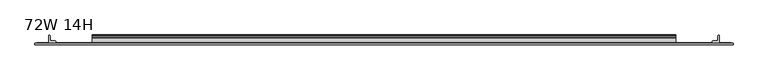
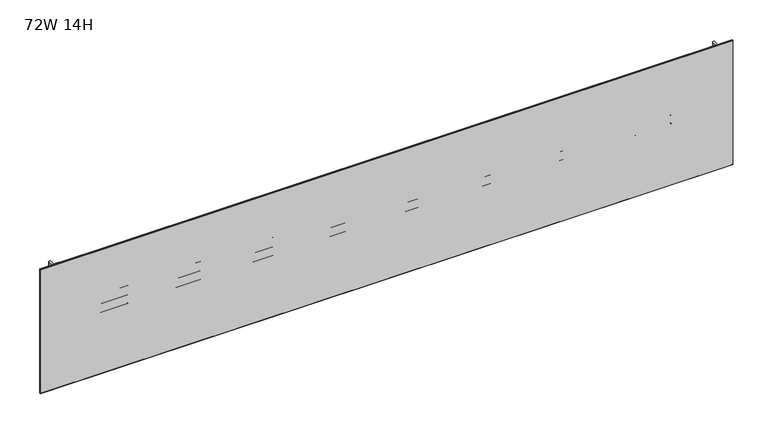
"""IFC4 building model written with IfcOpenShell, lengths in millimetres: furniture geometry, 72W 14H."""

from ifc_helpers import new_model, si_unit, point, frame, frame_2d, origin, place, context, project, spatial, polyline, circle_curve, trimmed, segment, composite_curve, outline, extrude, faceted_brep, source, transform, mapped, element, save


def furniture_72w_14h_d17b1d8d(model_context):
    return source(origin(), model_context, "Body", "SolidModel", [
        extrude(outline(composite_curve([segment(polyline([(-5.2324, 1512.9838044), (-5.2324, 1534.1023302)]), True, "CONTINUOUS"), segment(trimmed(circle_curve(frame_2d((-4.677496, 1534.1023302)), 0.554904), [point((-5.2324, 1534.1023302))], [point((-4.5338691, 1534.6383245))], False, "CARTESIAN"), True, "CONTINUOUS"), segment(polyline([(-4.5338691, 1534.6383245), (-3.3274001, 1534.3150349), (-2.3976956, 1533.3853678), (-2.0574001, 1532.1153145), (-2.0574001, 1519.3455299)]), True, "CONTINUOUS"), segment(trimmed(circle_curve(frame_2d((-1.4921701, 1519.3455299)), 0.5652299), [point((-2.0574001, 1519.3455299))], [point((-1.4921701, 1518.7803))], True, "CARTESIAN"), True, "CONTINUOUS"), segment(polyline([(-1.4921701, 1518.7803), (0.5143951, 1518.7803)]), True, "CONTINUOUS"), segment(trimmed(circle_curve(frame_2d((0.5143951, 1518.1770951)), 0.6032049), [point((0.5143951, 1518.7803))], [point((1.1176, 1518.1770951))], False, "CARTESIAN"), True, "CONTINUOUS"), segment(polyline([(1.1176, 1518.1770951), (1.1176, 1487.0624914)]), True, "CONTINUOUS"), segment(trimmed(circle_curve(frame_2d((0.6637885, 1489.7516964)), 2.7272272), [point((1.1176, 1487.0624914))], [point((-2.0574001, 1489.5703097))], False, "CARTESIAN"), True, "CONTINUOUS"), segment(polyline([(-2.0574001, 1489.5703097), (-2.0574001, 1511.8860586)]), True, "CONTINUOUS"), segment(trimmed(circle_curve(frame_2d((-2.6016657, 1511.8860586)), 0.5442657), [point((-2.0574001, 1511.8860586))], [point((-2.6016657, 1512.4303242))], True, "CARTESIAN"), True, "CONTINUOUS"), segment(polyline([(-2.6016657, 1512.4303242), (-4.6789199, 1512.4303242)]), True, "CONTINUOUS"), segment(trimmed(circle_curve(frame_2d((-4.6789199, 1512.9838044)), 0.5534801), [point((-4.6789199, 1512.4303242))], [point((-5.2324, 1512.9838044))], False, "CARTESIAN"), True, "CONTINUOUS")], self_intersect=False)), frame((152.4, 0.0, 0.0), z_axis=(1.0, 0.0, 0.0), x_axis=(0.0, 1.0, 0.0)), (0.0, 0.0, 1.0), 1524.0),
        extrude(outline(composite_curve([segment(polyline([(-7.1373999, 1566.4053), (-4.5974, 1565.7247456), (-2.7379909, 1563.8653388), (-2.0574001, 1561.3253048), (-2.0574001, 1539.711622)]), True, "CONTINUOUS"), segment(trimmed(circle_curve(frame_2d((-1.4969277, 1539.711622)), 0.5604724), [point((-2.0574001, 1539.711622))], [point((-1.4969277, 1539.1511496))], True, "CARTESIAN"), True, "CONTINUOUS"), segment(polyline([(-1.4969277, 1539.1511496), (0.4039455, 1539.1511496)]), True, "CONTINUOUS"), segment(trimmed(circle_curve(frame_2d((0.4039455, 1538.4374952)), 0.7136544), [point((0.4039455, 1539.1511496))], [point((1.1176, 1538.4374952))], False, "CARTESIAN"), True, "CONTINUOUS"), segment(polyline([(1.1176, 1538.4374952), (1.1176, 1520.0813562)]), True, "CONTINUOUS"), segment(trimmed(circle_curve(frame_2d((0.4746932, 1520.0813562)), 0.6429068), [point((1.1176, 1520.0813562))], [point((-0.1003385, 1519.7938364))], False, "CARTESIAN"), True, "CONTINUOUS"), segment(polyline([(-0.1003385, 1519.7938364), (-1.8183367, 1523.2297852)]), True, "CONTINUOUS"), segment(trimmed(circle_curve(frame_2d((0.2069874, 1524.2424613)), 2.2643874), [point((-1.8183367, 1523.2297852))], [point((-2.0574001, 1524.2424613))], False, "CARTESIAN"), True, "CONTINUOUS"), segment(polyline([(-2.0574001, 1524.2424613), (-2.0574001, 1533.9181396)]), True, "CONTINUOUS"), segment(trimmed(circle_curve(frame_2d((-2.7946089, 1533.9181396)), 0.7372088), [point((-2.0574001, 1533.9181396))], [point((-2.7946089, 1534.6553484))], True, "CARTESIAN"), True, "CONTINUOUS"), segment(polyline([(-2.7946089, 1534.6553484), (-19.4564001, 1534.6553484), (-19.4564001, 1566.4053), (-7.1373999, 1566.4053)]), True, "CONTINUOUS")], self_intersect=False), holes=[composite_curve([segment(trimmed(circle_curve(frame_2d((-13.0222745, 1561.114213)), 2.7511257), [point((-13.0222745, 1563.8653388))], [point((-15.7734002, 1561.114213))], True, "CARTESIAN"), True, "CONTINUOUS"), segment(polyline([(-15.7734002, 1561.114213), (-15.7734002, 1539.7793649)]), True, "CONTINUOUS"), segment(trimmed(circle_curve(frame_2d((-13.189345, 1539.7793649)), 2.5840552), [point((-15.7734002, 1539.7793649))], [point((-13.189345, 1537.1953097))], True, "CARTESIAN"), True, "CONTINUOUS"), segment(polyline([(-13.189345, 1537.1953097), (-7.4218653, 1537.1953097)]), True, "CONTINUOUS"), segment(trimmed(circle_curve(frame_2d((-7.4218653, 1540.0197749)), 2.8244652), [point((-7.4218653, 1537.1953097))], [point((-4.5974, 1540.0197749))], True, "CARTESIAN"), True, "CONTINUOUS"), segment(polyline([(-4.5974, 1540.0197749), (-4.5974, 1561.188195)]), True, "CONTINUOUS"), segment(trimmed(circle_curve(frame_2d((-7.2745438, 1561.188195)), 2.6771438), [point((-4.5974, 1561.188195))], [point((-7.2745438, 1563.8653388))], True, "CARTESIAN"), True, "CONTINUOUS"), segment(polyline([(-7.2745438, 1563.8653388), (-13.0222745, 1563.8653388)]), True, "CONTINUOUS")], self_intersect=False)]), frame((152.4, 0.0, 0.0), z_axis=(1.0, 0.0, 0.0), x_axis=(0.0, 1.0, 0.0)), (0.0, 0.0, 1.0), 1524.0),
        extrude(outline(composite_curve([segment(trimmed(circle_curve(frame_2d((1790.1524764, -18.9088765)), 0.5475236), [point((1790.7, -18.9088765))], [point((1790.1524764, -19.4564001))], False, "CARTESIAN"), True, "CONTINUOUS"), segment(polyline([(1790.1524764, -19.4564001), (1772.2113866, -19.4564001)]), True, "CONTINUOUS"), segment(trimmed(circle_curve(frame_2d((1772.2113866, -18.8950135)), 0.5613866), [point((1772.2113866, -19.4564001))], [point((1771.65, -18.8950135))], False, "CARTESIAN"), True, "CONTINUOUS"), segment(polyline([(1771.65, -18.8950135), (1771.65, -16.8669745)]), True, "CONTINUOUS"), segment(trimmed(circle_curve(frame_2d((1774.2294745, -16.8669745)), 2.5794745), [point((1771.65, -16.8669745))], [point((1774.2294745, -14.2875))], False, "CARTESIAN"), True, "CONTINUOUS"), segment(polyline([(1774.2294745, -14.2875), (1785.2787912, -14.2875)]), True, "CONTINUOUS"), segment(trimmed(circle_curve(frame_2d((1785.2787912, -13.6414903)), 0.6460097), [point((1785.2787912, -14.2875))], [point((1785.9248009, -13.6414903))], True, "CARTESIAN"), True, "CONTINUOUS"), segment(polyline([(1785.9248009, -13.6414903), (1785.9248009, -2.768893)]), True, "CONTINUOUS"), segment(trimmed(circle_curve(frame_2d((1788.6936939, -2.768893)), 2.768893), [point((1785.9248009, -2.768893))], [point((1788.6936939, 0.0))], False, "CARTESIAN"), True, "CONTINUOUS"), segment(polyline([(1788.6936939, 0.0), (1790.1082199, 0.0)]), True, "CONTINUOUS"), segment(trimmed(circle_curve(frame_2d((1790.1082199, -0.5917801)), 0.5917801), [point((1790.1082199, 0.0))], [point((1790.7, -0.5917801))], False, "CARTESIAN"), True, "CONTINUOUS"), segment(polyline([(1790.7, -0.5917801), (1790.7, -18.9088765)]), True, "CONTINUOUS")], self_intersect=False)), frame((0.0, 0.0, 1362.329), z_axis=(0.0, 0.0, 1.0), x_axis=(1.0, 0.0, 0.0)), (0.0, 0.0, 1.0), 336.5373),
        extrude(outline(composite_curve([segment(polyline([(38.1, -18.9088765), (38.1, -0.5917801)]), True, "CONTINUOUS"), segment(trimmed(circle_curve(frame_2d((38.6917801, -0.5917801)), 0.5917801), [point((38.1, -0.5917801))], [point((38.6917801, 0.0))], False, "CARTESIAN"), True, "CONTINUOUS"), segment(polyline([(38.6917801, 0.0), (40.1063061, 0.0)]), True, "CONTINUOUS"), segment(trimmed(circle_curve(frame_2d((40.1063061, -2.768893)), 2.768893), [point((40.1063061, 0.0))], [point((42.8751991, -2.768893))], False, "CARTESIAN"), True, "CONTINUOUS"), segment(polyline([(42.8751991, -2.768893), (42.8751991, -13.6414903)]), True, "CONTINUOUS"), segment(trimmed(circle_curve(frame_2d((43.5212088, -13.6414903)), 0.6460097), [point((42.8751991, -13.6414903))], [point((43.5212088, -14.2875))], True, "CARTESIAN"), True, "CONTINUOUS"), segment(polyline([(43.5212088, -14.2875), (54.5705255, -14.2875)]), True, "CONTINUOUS"), segment(trimmed(circle_curve(frame_2d((54.5705255, -16.8669745)), 2.5794745), [point((54.5705255, -14.2875))], [point((57.15, -16.8669745))], False, "CARTESIAN"), True, "CONTINUOUS"), segment(polyline([(57.15, -16.8669745), (57.15, -18.8950135)]), True, "CONTINUOUS"), segment(trimmed(circle_curve(frame_2d((56.5886134, -18.8950135)), 0.5613866), [point((57.15, -18.8950135))], [point((56.5886134, -19.4564001))], False, "CARTESIAN"), True, "CONTINUOUS"), segment(polyline([(56.5886134, -19.4564001), (38.6475236, -19.4564001)]), True, "CONTINUOUS"), segment(trimmed(circle_curve(frame_2d((38.6475236, -18.9088765)), 0.5475236), [point((38.6475236, -19.4564001))], [point((38.1, -18.9088765))], False, "CARTESIAN"), True, "CONTINUOUS")], self_intersect=False)), frame((0.0, 0.0, 1362.329), z_axis=(0.0, 0.0, 1.0), x_axis=(1.0, 0.0, 0.0)), (0.0, 0.0, 1.0), 336.5373),
        extrude(outline(polyline([(1821.4975002, -20.0634601), (7.3024998, -20.0634601), (7.3024998, -19.4564001), (1821.4975002, -19.4564001), (1821.4975002, -20.0634601)])), frame((0.0, 0.0, 1362.329), z_axis=(0.0, 0.0, 1.0), x_axis=(1.0, 0.0, 0.0)), (0.0, 0.0, 1.0), 336.5373),
        faceted_brep([(1826.2600024, -24.0512595, 1703.6288), (1826.2600024, -20.8508598, 1703.6288), (2.5400001, -20.8508598, 1703.6288), (2.5400001, -24.0512595, 1703.6288), (2.5400001, -24.0512595, 1357.5538), (2.5400001, -20.8508598, 1357.5538), (1826.2600024, -20.8508598, 1357.5538), (1826.2600024, -24.0512595, 1357.5538), (3.3274521, -24.8386592, 1702.8413481), (3.3274521, -24.8386592, 1358.3412519), (1825.4725505, -24.8386592, 1358.3412519), (1825.4725505, -24.8386592, 1702.8413481), (3.3274521, -20.0634601, 1358.3412519), (3.3274521, -20.0634601, 1702.8413481), (1825.4725505, -20.0634601, 1702.8413481), (1825.4725505, -20.0634601, 1358.3412519)], [[[0, 1, 2, 3]], [[4, 5, 6, 7]], [[8, 9, 10, 11]], [[1, 0, 7, 6]], [[12, 13, 14, 15]], [[3, 2, 5, 4]], [[12, 5, 2, 13]], [[4, 9, 8, 3]], [[5, 12, 15, 6]], [[9, 4, 7, 10]], [[6, 15, 14, 1]], [[10, 7, 0, 11]], [[13, 2, 1, 14]], [[3, 8, 11, 0]]]),
    ])


if __name__ == "__main__":
    model = new_model("IFC4")
    model_context = context("Model", 3, world=origin())
    ifc_project = project(units=[si_unit("LENGTHUNIT", "METRE", prefix="MILLI")], contexts=[model_context])
    site = spatial("IfcSite", under=ifc_project)
    building = spatial("IfcBuilding", under=site)
    placement = place(None, origin())
    furniture_72w_14h_shape = furniture_72w_14h_d17b1d8d(model_context)
    element("IfcFurniture", 1, ObjectType="72W 14H", at=placement, inside=building, context=model_context, shape_type="MappedRepresentation", body=[
        mapped(furniture_72w_14h_shape, transform((0.0, 0.0, 0.0), x_axis=(1.0, 0.0, 0.0), y_axis=(0.0, 1.0, 0.0), z_axis=(0.0, 0.0, 1.0))),
    ])
    save(model, "model.ifc")
